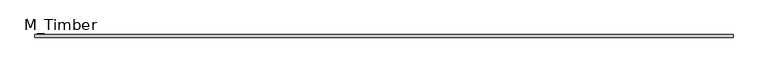
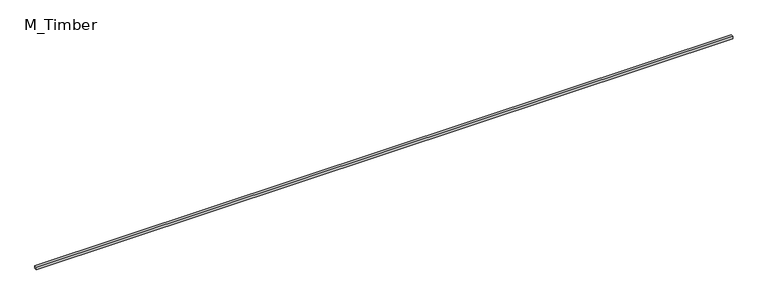
"""IFC4 building model written with IfcOpenShell, lengths in millimetres: beam geometry, M_Timber."""

from ifc_helpers import new_model, si_unit, frame, origin, place, context, project, spatial, polyline, outline, extrude, source, transform, mapped, element, save


def m_timber_25b3a32a(model_context):
    return source(origin(), model_context, "Body", "SweptSolid", [
        extrude(outline(polyline([(5311.5659572, 20.0), (5311.5659572, -20.0), (-5311.5659572, -20.0), (-5311.5659572, 20.0), (5311.5659572, 20.0)])), frame((0.0, 0.0, -20.0), z_axis=(0.0, 0.0, 1.0), x_axis=(1.0, 0.0, 0.0)), (0.0, 0.0, 1.0), 40.0),
    ])


if __name__ == "__main__":
    model = new_model("IFC4")
    model_context = context("Model", 3, world=origin())
    ifc_project = project(units=[si_unit("LENGTHUNIT", "METRE", prefix="MILLI")], contexts=[model_context])
    site = spatial("IfcSite", under=ifc_project)
    building = spatial("IfcBuilding", under=site)
    placement = place(None, origin())
    m_timber_shape = m_timber_25b3a32a(model_context)
    element("IfcBeam", 1, ObjectType="M_Timber", at=placement, inside=building, context=model_context, shape_type="MappedRepresentation", body=[
        mapped(m_timber_shape, transform((0.0, 0.0, 0.0), x_axis=(1.0, 0.0, 0.0), y_axis=(0.0, 1.0, 0.0), z_axis=(0.0, 0.0, 1.0))),
    ])
    save(model, "model.ifc")
